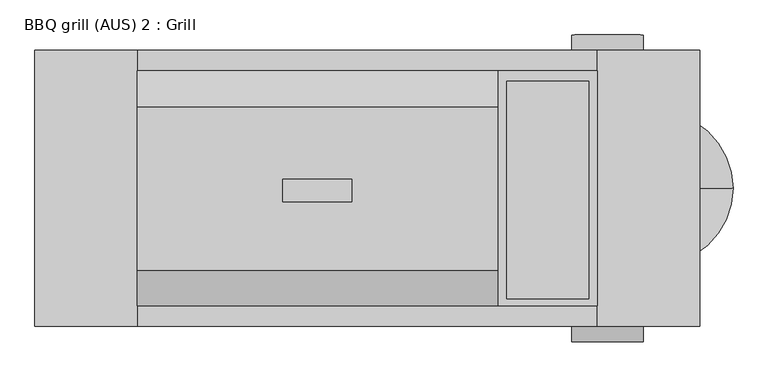
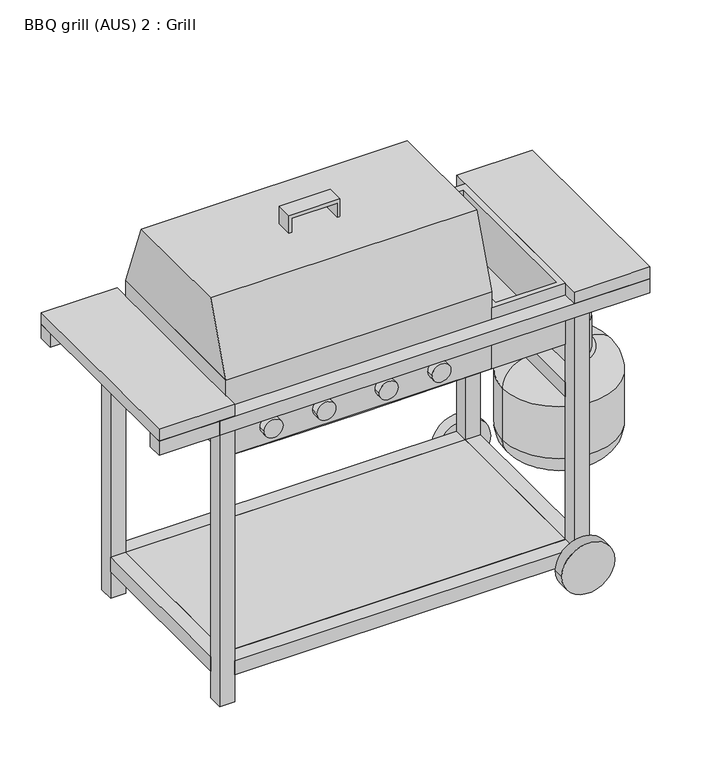
"""IFC4 building model written with IfcOpenShell, lengths in millimetres: proxy geometry, BBQ grill (AUS) 2 : Grill."""

from ifc_helpers import new_model, si_unit, point, frame, frame_2d, origin, origin_with_axes, place, context, project, spatial, polyline, circle_curve, ellipse_curve, trimmed, segment, composite_curve, outline, extrude, faceted_brep, source, transform, mapped, element, save
from ifc_brep_helpers import plane_surface, cylinder_surface, revolved_surface, advanced_brep


def bbq_grill_aus_2_grill_de8b455a(model_context):
    return source(origin(), model_context, "Body", "SolidModel", [
        extrude(outline(polyline([(1063.8676904, -157.460657), (1103.8676904, -157.460657), (1103.8676904, -37.460657), (1063.8676904, -37.460657), (1063.8676904, -30.3000867), (1113.8676904, -30.3000867), (1113.8676904, -165.3000867), (1063.8676904, -165.3000867), (1063.8676904, -157.460657)])), frame((0.0, -25.9518601, 0.0), z_axis=(0.0, 1.0, 0.0), x_axis=(0.0, 0.0, 1.0)), (0.0, 0.0, 1.0), 44.0096213),
        extrude(outline(polyline([(230.0, 876.3836556), (-230.0, 876.3836556), (-159.93761, 1063.8676904), (158.5526171, 1063.8676904), (230.0, 876.3836556)])), frame((-449.742529, 0.0, 0.0), z_axis=(1.0, 0.0, 0.0), x_axis=(0.0, 1.0, 0.0)), (0.0, 0.0, 1.0), 704.6784719),
        advanced_brep(
        [(558.311371, 0.0, 511.7012721), (572.4336955, 0.0, 511.7012721), (558.311371, 0.0, 551.7012721), (572.4336955, 0.0, 551.7012721), (525.3725333, 0.0, 598.7624343), (525.3725333, 0.0, 584.6401098), (271.8636771, 0.0, 584.6401098), (271.8636771, 0.0, 598.7624343), (233.9248393, 0.0, 636.7012721), (219.8025148, 0.0, 636.7012721), (219.8025148, 0.0, 661.3173002), (233.9248393, 0.0, 661.3173002)],
        [
            (0, 1, circle_curve(frame((565.3725333, 0.0, 511.7012721), z_axis=(0.0, 0.0, -1.0), x_axis=(1.0, 0.0, 0.0)), 7.0611622)),
            (1, 0, circle_curve(frame((565.3725333, 0.0, 511.7012721), z_axis=(0.0, 0.0, -1.0), x_axis=(1.0, 0.0, 0.0)), 7.0611622)),
            (0, 2),
            (2, 3, circle_curve(frame((565.3725333, 0.0, 551.7012721), z_axis=(0.0, 0.0, -1.0), x_axis=(1.0, 0.0, 0.0)), 7.0611622)),
            (3, 1),
            (3, 2, circle_curve(frame((565.3725333, 0.0, 551.7012721), z_axis=(0.0, 0.0, -1.0), x_axis=(1.0, 0.0, 0.0)), 7.0611622)),
            (4, 3, circle_curve(frame((525.3725333, 0.0, 551.7012721), z_axis=(0.0, 1.0, 0.0), x_axis=(1.0, 0.0, 0.0)), 47.0611622)),
            (2, 5, circle_curve(frame((525.3725333, 0.0, 551.7012721), z_axis=(0.0, -1.0, 0.0), x_axis=(1.0, 0.0, 0.0)), 32.9388378)),
            (5, 4, circle_curve(frame((525.3725333, 0.0, 591.7012721), z_axis=(1.0, 0.0, 0.0), x_axis=(0.0, 0.0, 1.0)), 7.0611622)),
            (4, 5, circle_curve(frame((525.3725333, 0.0, 591.7012721), z_axis=(1.0, 0.0, 0.0), x_axis=(0.0, 0.0, 1.0)), 7.0611622)),
            (5, 6),
            (6, 7, circle_curve(frame((271.8636771, 0.0, 591.7012721), z_axis=(1.0, 0.0, 0.0), x_axis=(0.0, 0.0, 1.0)), 7.0611622)),
            (7, 4),
            (7, 6, circle_curve(frame((271.8636771, 0.0, 591.7012721), z_axis=(1.0, 0.0, 0.0), x_axis=(0.0, 0.0, 1.0)), 7.0611622)),
            (8, 7, circle_curve(frame((271.8636771, 0.0, 636.7012721), z_axis=(0.0, -1.0, 0.0), x_axis=(0.0, 0.0, -1.0)), 37.9388378)),
            (6, 9, circle_curve(frame((271.8636771, 0.0, 636.7012721), z_axis=(0.0, 1.0, 0.0), x_axis=(0.0, 0.0, -1.0)), 52.0611622)),
            (9, 8, circle_curve(frame((226.8636771, 0.0, 636.7012721), z_axis=(0.0, 0.0, -1.0), x_axis=(1.0, 0.0, 0.0)), 7.0611622)),
            (8, 9, circle_curve(frame((226.8636771, 0.0, 636.7012721), z_axis=(0.0, 0.0, -1.0), x_axis=(1.0, 0.0, 0.0)), 7.0611622)),
            (10, 11, circle_curve(frame((226.8636771, 0.0, 661.3173002), z_axis=(0.0, 0.0, 1.0), x_axis=(1.0, 0.0, 0.0)), 7.0611622)),
            (11, 10, circle_curve(frame((226.8636771, 0.0, 661.3173002), z_axis=(0.0, 0.0, 1.0), x_axis=(1.0, 0.0, 0.0)), 7.0611622)),
            (9, 10),
            (11, 8),
        ],
        [
            plane_surface(frame((565.3725333, 0.0, 511.7012721), z_axis=(0.0, 0.0, -1.0), x_axis=(0.0, -1.0, 0.0))),
            cylinder_surface(frame((565.3725333, 0.0, 511.7012721), z_axis=(0.0, 0.0, -1.0), x_axis=(1.0, 0.0, 0.0)), 7.0611622),
            revolved_surface(trimmed(ellipse_curve(frame((565.3725333, 0.0, 551.7012721), z_axis=(0.0, 0.0, -1.0), x_axis=(1.0, 0.0, 0.0)), 7.0611622, 7.0611622), [point((558.311371, 0.0, 551.7012721))], [point((572.4336955, 0.0, 551.7012721))], True, "CARTESIAN"), (525.3725333, 0.0, 551.7012721), (0.0, -1.0, 0.0)),
            revolved_surface(trimmed(ellipse_curve(frame((565.3725333, 0.0, 551.7012721), z_axis=(0.0, 0.0, -1.0), x_axis=(1.0, 0.0, 0.0)), 7.0611622, 7.0611622), [point((572.4336955, 0.0, 551.7012721))], [point((558.311371, 0.0, 551.7012721))], True, "CARTESIAN"), (525.3725333, 0.0, 551.7012721), (0.0, -1.0, 0.0)),
            cylinder_surface(frame((525.3725333, 0.0, 591.7012721), z_axis=(1.0, 0.0, 0.0), x_axis=(0.0, 0.0, 1.0)), 7.0611622),
            revolved_surface(trimmed(ellipse_curve(frame((271.8636771, 0.0, 591.7012721), z_axis=(1.0, 0.0, 0.0), x_axis=(0.0, 0.0, 1.0)), 7.0611622, 7.0611622), [point((271.8636771, 0.0, 584.6401098))], [point((271.8636771, 0.0, 598.7624343))], True, "CARTESIAN"), (271.8636771, 0.0, 636.7012721), (0.0, 1.0, 0.0)),
            revolved_surface(trimmed(ellipse_curve(frame((271.8636771, 0.0, 591.7012721), z_axis=(1.0, 0.0, 0.0), x_axis=(0.0, 0.0, 1.0)), 7.0611622, 7.0611622), [point((271.8636771, 0.0, 598.7624343))], [point((271.8636771, 0.0, 584.6401098))], True, "CARTESIAN"), (271.8636771, 0.0, 636.7012721), (0.0, 1.0, 0.0)),
            plane_surface(frame((226.8636771, 0.0, 661.3173002), z_axis=(0.0, 0.0, 1.0), x_axis=(0.0, -1.0, 0.0))),
            cylinder_surface(frame((226.8636771, 0.0, 636.7012721), z_axis=(0.0, 0.0, -1.0), x_axis=(1.0, 0.0, 0.0)), 7.0611622),
        ],
        [
            (0, [[1, 2]]),
            (1, [[-1, 3, 4, 5]]),
            (1, [[-2, -5, 6, -3]]),
            (2, [[7, -4, 8, 9]]),
            (3, [[-8, -6, -7, 10]]),
            (4, [[-9, 11, 12, 13]]),
            (4, [[-10, -13, 14, -11]]),
            (5, [[15, -12, 16, 17]]),
            (6, [[-16, -14, -15, 18]]),
            (7, [[19, 20]]),
            (8, [[-17, 21, -20, 22]]),
            (8, [[-18, -22, -19, -21]]),
        ],
    ),
        advanced_brep(
        [(575.3725333, 0.0, 511.7012721), (555.3725333, 0.0, 511.7012721), (565.3725333, 0.0, 511.7012721), (575.3725333, 0.0, 476.7012721), (555.3725333, 0.0, 476.7012721), (635.3725333, 0.0, 476.7012721), (495.3725333, 0.0, 476.7012721), (635.3725333, 0.0, 566.7012721), (495.3725333, 0.0, 566.7012721), (640.3725333, 0.0, 566.7012721), (490.3725333, 0.0, 566.7012721), (640.3725333, 0.0, 476.7012721), (490.3725333, 0.0, 476.7012721), (650.3725333, 0.0, 476.7012721), (480.3725333, 0.0, 476.7012721), (715.3725333, 0.0, 411.7012721), (415.3725333, 0.0, 411.7012721), (715.3725333, 0.0, 266.7012721), (415.3725333, 0.0, 266.7012721), (650.3725333, 0.0, 201.7012721), (480.3725333, 0.0, 201.7012721), (565.3725333, 0.0, 201.7012721)],
        [
            (0, 1, circle_curve(frame((565.3725333, 0.0, 511.7012721), z_axis=(0.0, 0.0, 1.0), x_axis=(-1.0, 0.0, 0.0)), 10.0)),
            (1, 2),
            (2, 0),
            (1, 0, circle_curve(frame((565.3725333, 0.0, 511.7012721), z_axis=(0.0, 0.0, 1.0), x_axis=(-1.0, 0.0, 0.0)), 10.0)),
            (3, 4, circle_curve(frame((565.3725333, 0.0, 476.7012721), z_axis=(0.0, 0.0, 1.0), x_axis=(-1.0, 0.0, 0.0)), 10.0)),
            (4, 1),
            (0, 3),
            (4, 3, circle_curve(frame((565.3725333, 0.0, 476.7012721), z_axis=(0.0, 0.0, 1.0), x_axis=(-1.0, 0.0, 0.0)), 10.0)),
            (5, 6, circle_curve(frame((565.3725333, 0.0, 476.7012721), z_axis=(0.0, 0.0, 1.0), x_axis=(-1.0, 0.0, 0.0)), 70.0)),
            (6, 4),
            (3, 5),
            (6, 5, circle_curve(frame((565.3725333, 0.0, 476.7012721), z_axis=(0.0, 0.0, 1.0), x_axis=(-1.0, 0.0, 0.0)), 70.0)),
            (7, 8, circle_curve(frame((565.3725333, 0.0, 566.7012721), z_axis=(0.0, 0.0, 1.0), x_axis=(-1.0, 0.0, 0.0)), 70.0)),
            (8, 6),
            (5, 7),
            (8, 7, circle_curve(frame((565.3725333, 0.0, 566.7012721), z_axis=(0.0, 0.0, 1.0), x_axis=(-1.0, 0.0, 0.0)), 70.0)),
            (9, 10, circle_curve(frame((565.3725333, 0.0, 566.7012721), z_axis=(0.0, 0.0, 1.0), x_axis=(-1.0, 0.0, 0.0)), 75.0)),
            (10, 8),
            (7, 9),
            (10, 9, circle_curve(frame((565.3725333, 0.0, 566.7012721), z_axis=(0.0, 0.0, 1.0), x_axis=(-1.0, 0.0, 0.0)), 75.0)),
            (11, 12, circle_curve(frame((565.3725333, 0.0, 476.7012721), z_axis=(0.0, 0.0, 1.0), x_axis=(-1.0, 0.0, 0.0)), 75.0)),
            (12, 10),
            (9, 11),
            (12, 11, circle_curve(frame((565.3725333, 0.0, 476.7012721), z_axis=(0.0, 0.0, 1.0), x_axis=(-1.0, 0.0, 0.0)), 75.0)),
            (13, 14, circle_curve(frame((565.3725333, 0.0, 476.7012721), z_axis=(0.0, 0.0, 1.0), x_axis=(-1.0, 0.0, 0.0)), 85.0)),
            (14, 12),
            (11, 13),
            (14, 13, circle_curve(frame((565.3725333, 0.0, 476.7012721), z_axis=(0.0, 0.0, 1.0), x_axis=(-1.0, 0.0, 0.0)), 85.0)),
            (15, 16, circle_curve(frame((565.3725333, 0.0, 411.7012721), z_axis=(0.0, 0.0, 1.0), x_axis=(-1.0, 0.0, 0.0)), 150.0)),
            (16, 14, circle_curve(frame((480.3725333, 0.0, 411.7012721), z_axis=(0.0, 1.0, 0.0), x_axis=(1.0, 0.0, 0.0)), 65.0)),
            (13, 15, circle_curve(frame((650.3725333, 0.0, 411.7012721), z_axis=(0.0, 1.0, 0.0), x_axis=(-1.0, 0.0, 0.0)), 65.0)),
            (16, 15, circle_curve(frame((565.3725333, 0.0, 411.7012721), z_axis=(0.0, 0.0, 1.0), x_axis=(-1.0, 0.0, 0.0)), 150.0)),
            (17, 18, circle_curve(frame((565.3725333, 0.0, 266.7012721), z_axis=(0.0, 0.0, 1.0), x_axis=(-1.0, 0.0, 0.0)), 150.0)),
            (18, 16),
            (15, 17),
            (18, 17, circle_curve(frame((565.3725333, 0.0, 266.7012721), z_axis=(0.0, 0.0, 1.0), x_axis=(-1.0, 0.0, 0.0)), 150.0)),
            (19, 20, circle_curve(frame((565.3725333, 0.0, 201.7012721), z_axis=(0.0, 0.0, 1.0), x_axis=(-1.0, 0.0, 0.0)), 85.0)),
            (20, 18, circle_curve(frame((480.3725333, 0.0, 266.7012721), z_axis=(0.0, 1.0, 0.0), x_axis=(1.0, 0.0, 0.0)), 65.0)),
            (17, 19, circle_curve(frame((650.3725333, 0.0, 266.7012721), z_axis=(0.0, 1.0, 0.0), x_axis=(-1.0, 0.0, 0.0)), 65.0)),
            (20, 19, circle_curve(frame((565.3725333, 0.0, 201.7012721), z_axis=(0.0, 0.0, 1.0), x_axis=(-1.0, 0.0, 0.0)), 85.0)),
            (21, 20),
            (19, 21),
        ],
        [
            plane_surface(frame((565.3725333, 0.0, 511.7012721), z_axis=(0.0, 0.0, 1.0), x_axis=(-1.0, 0.0, 0.0))),
            cylinder_surface(frame((565.3725333, 0.0, 201.7012721), z_axis=(0.0, 0.0, -1.0), x_axis=(-1.0, 0.0, 0.0)), 10.0),
            plane_surface(frame((565.3725333, 0.0, 476.7012721), z_axis=(0.0, 0.0, 1.0), x_axis=(-1.0, 0.0, 0.0))),
            revolved_surface(polyline([(495.3725333, 0.0, 476.7012721), (495.3725333, 0.0, 566.7012721)]), (565.3725333, 0.0, 201.7012721), (0.0, 0.0, -1.0)),
            plane_surface(frame((565.3725333, 0.0, 566.7012721), z_axis=(0.0, 0.0, 1.0), x_axis=(-1.0, 0.0, 0.0))),
            cylinder_surface(frame((565.3725333, 0.0, 201.7012721), z_axis=(0.0, 0.0, -1.0), x_axis=(-1.0, 0.0, 0.0)), 75.0),
            revolved_surface(trimmed(ellipse_curve(frame((480.3725333, 0.0, 411.7012721), z_axis=(0.0, -1.0, 0.0), x_axis=(1.0, 0.0, 0.0)), 65.0, 65.0), [point((480.3725333, 0.0, 476.7012721))], [point((415.3725333, 0.0, 411.7012721))], True, "CARTESIAN"), (565.3725333, 0.0, 201.7012721), (0.0, 0.0, -1.0)),
            cylinder_surface(frame((565.3725333, 0.0, 201.7012721), z_axis=(0.0, 0.0, -1.0), x_axis=(-1.0, 0.0, 0.0)), 150.0),
            revolved_surface(trimmed(ellipse_curve(frame((480.3725333, 0.0, 266.7012721), z_axis=(0.0, -1.0, 0.0), x_axis=(1.0, 0.0, 0.0)), 65.0, 65.0), [point((415.3725333, 0.0, 266.7012721))], [point((480.3725333, 0.0, 201.7012721))], True, "CARTESIAN"), (565.3725333, 0.0, 201.7012721), (0.0, 0.0, -1.0)),
            plane_surface(frame((565.3725333, 0.0, 201.7012721), z_axis=(0.0, 0.0, -1.0), x_axis=(-1.0, 0.0, 0.0))),
        ],
        [
            (0, [[1, 2, 3]]),
            (0, [[4, -3, -2]]),
            (1, [[5, 6, -1, 7]]),
            (1, [[8, -7, -4, -6]]),
            (2, [[9, 10, -5, 11]]),
            (2, [[12, -11, -8, -10]]),
            (3, [[13, 14, -9, 15]]),
            (3, [[16, -15, -12, -14]]),
            (4, [[17, 18, -13, 19]]),
            (4, [[20, -19, -16, -18]]),
            (5, [[21, 22, -17, 23]]),
            (5, [[24, -23, -20, -22]]),
            (2, [[25, 26, -21, 27]]),
            (2, [[28, -27, -24, -26]]),
            (6, [[29, 30, -25, 31]]),
            (6, [[32, -31, -28, -30]]),
            (7, [[33, 34, -29, 35]]),
            (7, [[36, -35, -32, -34]]),
            (8, [[37, 38, -33, 39]]),
            (8, [[40, -39, -36, -38]]),
            (9, [[41, -37, 42]]),
            (9, [[-42, -40, -41]]),
        ],
    ),
        extrude(outline(polyline([(489.742529, -230.0), (449.742529, -230.0), (449.742529, 230.0), (489.742529, 230.0), (489.742529, -230.0)])), frame((0.0, 0.0, 515.0), z_axis=(0.0, 0.0, 1.0), x_axis=(1.0, 0.0, 0.0)), (0.0, 0.0, 1.0), 40.0),
        faceted_brep([(449.742529, 230.0, 832.2877028), (254.9359429, 230.0, 832.2877028), (254.9359429, -230.0, 832.2877028), (449.742529, -230.0, 832.2877028), (273.1159192, 209.263225, 832.2877028), (433.1159192, 209.263225, 832.2877028), (433.1159192, -215.736775, 832.2877028), (273.1159192, -215.736775, 832.2877028), (449.742529, 230.0, 661.3173002), (449.742529, -230.0, 661.3173002), (254.9359429, -230.0, 661.3173002), (254.9359429, 230.0, 661.3173002), (433.1159192, 209.263225, 685.6210995), (273.1159192, 209.263225, 685.6210995), (273.1159192, -215.736775, 685.6210995), (433.1159192, -215.736775, 685.6210995)], [[[0, 1, 2, 3], [4, 5, 6, 7]], [[8, 9, 10, 11]], [[1, 0, 8, 11]], [[2, 1, 11, 10]], [[3, 2, 10, 9]], [[0, 3, 9, 8]], [[12, 13, 14, 15]], [[13, 12, 5, 4]], [[14, 13, 4, 7]], [[15, 14, 7, 6]], [[12, 15, 6, 5]]]),
        extrude(outline(polyline([(211.8636771, 200.6899163), (211.8636771, -203.872911), (-402.2084675, -203.872911), (-402.2084675, 200.6899163), (211.8636771, 200.6899163)])), frame((0.0, 0.0, 819.1779149), z_axis=(0.0, 0.0, 1.0), x_axis=(1.0, 0.0, 0.0)), (0.0, 0.0, 1.0), 13.1097879),
        extrude(outline(composite_curve([segment(trimmed(circle_curve(frame_2d((712.6602886, -335.1455915)), 25.0), [point((712.6602886, -360.1455915))], [point((712.6602886, -310.1455915))], False, "CARTESIAN"), True, "CONTINUOUS"), segment(trimmed(circle_curve(frame_2d((712.6602886, -335.1455915)), 25.0), [point((712.6602886, -310.1455915))], [point((712.6602886, -360.1455915))], False, "CARTESIAN"), True, "CONTINUOUS")], self_intersect=False)), frame((0.0, -250.0, 0.0), z_axis=(0.0, 1.0, 0.0), x_axis=(0.0, 0.0, 1.0)), (0.0, 0.0, 1.0), 20.0),
        extrude(outline(composite_curve([segment(trimmed(circle_curve(frame_2d((712.6602886, -195.1455915)), 25.0), [point((712.6602886, -220.1455915))], [point((712.6602886, -170.1455915))], False, "CARTESIAN"), True, "CONTINUOUS"), segment(trimmed(circle_curve(frame_2d((712.6602886, -195.1455915)), 25.0), [point((712.6602886, -170.1455915))], [point((712.6602886, -220.1455915))], False, "CARTESIAN"), True, "CONTINUOUS")], self_intersect=False)), frame((0.0, -250.0, 0.0), z_axis=(0.0, 1.0, 0.0), x_axis=(0.0, 0.0, 1.0)), (0.0, 0.0, 1.0), 20.0),
        extrude(outline(composite_curve([segment(trimmed(circle_curve(frame_2d((712.6602886, -30.1455915)), 25.0), [point((712.6602886, -55.1455915))], [point((712.6602886, -5.1455915))], False, "CARTESIAN"), True, "CONTINUOUS"), segment(trimmed(circle_curve(frame_2d((712.6602886, -30.1455915)), 25.0), [point((712.6602886, -5.1455915))], [point((712.6602886, -55.1455915))], False, "CARTESIAN"), True, "CONTINUOUS")], self_intersect=False)), frame((0.0, -250.0, 0.0), z_axis=(0.0, 1.0, 0.0), x_axis=(0.0, 0.0, 1.0)), (0.0, 0.0, 1.0), 20.0),
        extrude(outline(composite_curve([segment(trimmed(circle_curve(frame_2d((712.6602886, 109.8544085)), 25.0), [point((712.6602886, 84.8544085))], [point((712.6602886, 134.8544085))], False, "CARTESIAN"), True, "CONTINUOUS"), segment(trimmed(circle_curve(frame_2d((712.6602886, 109.8544085)), 25.0), [point((712.6602886, 134.8544085))], [point((712.6602886, 84.8544085))], False, "CARTESIAN"), True, "CONTINUOUS")], self_intersect=False)), frame((0.0, -250.0, 0.0), z_axis=(0.0, 1.0, 0.0), x_axis=(0.0, 0.0, 1.0)), (0.0, 0.0, 1.0), 20.0),
        extrude(outline(polyline([(254.9359429, 230.0), (254.9359429, -230.0), (-449.742529, -230.0), (-449.742529, 230.0), (254.9359429, 230.0)]), holes=[polyline([(238.3474152, 218.5526171), (-431.1775664, 218.5526171), (-431.1775664, -219.93761), (238.3474152, -219.93761), (238.3474152, 218.5526171)])]), frame((0.0, 0.0, 661.3173002), z_axis=(0.0, 0.0, 1.0), x_axis=(1.0, 0.0, 0.0)), (0.0, 0.0, 1.0), 215.0663554),
        faceted_brep([(0.0, 79.4540687, 533.7679522), (0.0, -75.3590974, 533.7679522), (-205.5924391, -75.3590974, 533.7679522), (-205.5924391, 79.4540687, 533.7679522), (254.9359429, 230.0, 661.3173002), (-449.742529, 230.0, 661.3173002), (-449.742529, -230.0, 661.3173002), (254.9359429, -230.0, 661.3173002)], [[[0, 1, 2, 3]], [[4, 5, 6, 7]], [[4, 7, 1, 0]], [[7, 6, 2, 1]], [[6, 5, 3, 2]], [[5, 4, 0, 3]]]),
        extrude(outline(polyline([(-650.0, 270.0), (-449.742529, 270.0), (-449.742529, -270.0), (-650.0, -270.0), (-650.0, 270.0)])), frame((0.0, 0.0, 800.0), z_axis=(0.0, 0.0, 1.0), x_axis=(1.0, 0.0, 0.0)), (0.0, 0.0, 1.0), 32.2877028),
        extrude(outline(polyline([(650.0, 270.0), (650.0, -270.0), (449.742529, -270.0), (449.742529, 270.0), (650.0, 270.0)])), frame((0.0, 0.0, 800.0), z_axis=(0.0, 0.0, 1.0), x_axis=(1.0, 0.0, 0.0)), (0.0, 0.0, 1.0), 32.2877028),
        extrude(outline(polyline([(449.742529, 230.0), (449.742529, -230.0), (-449.742529, -230.0), (-449.742529, 230.0), (449.742529, 230.0)])), frame((0.0, 0.0, 102.9172287), z_axis=(0.0, 0.0, 1.0), x_axis=(1.0, 0.0, 0.0)), (0.0, 0.0, 1.0), 12.0827713),
        extrude(outline(polyline([(449.742529, -230.0), (449.742529, -270.0), (-449.742529, -270.0), (-449.742529, -230.0), (449.742529, -230.0)])), frame((0.0, 0.0, 75.0), z_axis=(0.0, 0.0, 1.0), x_axis=(1.0, 0.0, 0.0)), (0.0, 0.0, 1.0), 40.0),
        extrude(outline(polyline([(449.742529, 270.0), (449.742529, 230.0), (-449.742529, 230.0), (-449.742529, 270.0), (449.742529, 270.0)])), frame((0.0, 0.0, 75.0), z_axis=(0.0, 0.0, 1.0), x_axis=(1.0, 0.0, 0.0)), (0.0, 0.0, 1.0), 40.0),
        extrude(outline(polyline([(650.0, -230.0), (650.0, -270.0), (-650.0, -270.0), (-650.0, -230.0), (650.0, -230.0)])), frame((0.0, 0.0, 760.0), z_axis=(0.0, 0.0, 1.0), x_axis=(1.0, 0.0, 0.0)), (0.0, 0.0, 1.0), 40.0),
        extrude(outline(polyline([(650.0, 270.0), (650.0, 230.0), (-650.0, 230.0), (-650.0, 270.0), (650.0, 270.0)])), frame((0.0, 0.0, 760.0), z_axis=(0.0, 0.0, 1.0), x_axis=(1.0, 0.0, 0.0)), (0.0, 0.0, 1.0), 40.0),
        extrude(outline(polyline([(-449.742529, -230.0), (-489.742529, -230.0), (-489.742529, 230.0), (-449.742529, 230.0), (-449.742529, -230.0)])), frame((0.0, 0.0, 760.0), z_axis=(0.0, 0.0, 1.0), x_axis=(1.0, 0.0, 0.0)), (0.0, 0.0, 1.0), 40.0),
        extrude(outline(polyline([(489.742529, -230.0), (449.742529, -230.0), (449.742529, 230.0), (489.742529, 230.0), (489.742529, -230.0)])), frame((0.0, 0.0, 760.0), z_axis=(0.0, 0.0, 1.0), x_axis=(1.0, 0.0, 0.0)), (0.0, 0.0, 1.0), 40.0),
        extrude(outline(polyline([(-449.742529, -230.0), (-489.742529, -230.0), (-489.742529, 230.0), (-449.742529, 230.0), (-449.742529, -230.0)])), frame((0.0, 0.0, 75.0), z_axis=(0.0, 0.0, 1.0), x_axis=(1.0, 0.0, 0.0)), (0.0, 0.0, 1.0), 40.0),
        extrude(outline(polyline([(489.742529, -230.0), (449.742529, -230.0), (449.742529, 230.0), (489.742529, 230.0), (489.742529, -230.0)])), frame((0.0, 0.0, 75.0), z_axis=(0.0, 0.0, 1.0), x_axis=(1.0, 0.0, 0.0)), (0.0, 0.0, 1.0), 40.0),
        extrude(outline(polyline([(-489.742529, -270.0), (-489.742529, -230.0), (-449.742529, -230.0), (-449.742529, -270.0), (-489.742529, -270.0)])), origin_with_axes(), (0.0, 0.0, 1.0), 800.0),
        extrude(outline(polyline([(-489.742529, 270.0), (-449.742529, 270.0), (-449.742529, 230.0), (-489.742529, 230.0), (-489.742529, 270.0)])), origin_with_axes(), (0.0, 0.0, 1.0), 800.0),
        extrude(outline(polyline([(489.742529, -270.0), (449.742529, -270.0), (449.742529, -230.0), (489.742529, -230.0), (489.742529, -270.0)])), frame((0.0, 0.0, 75.0), z_axis=(0.0, 0.0, 1.0), x_axis=(1.0, 0.0, 0.0)), (0.0, 0.0, 1.0), 725.0),
        extrude(outline(composite_curve([segment(trimmed(circle_curve(frame_2d((70.219645, 469.742529)), 70.219645), [point((70.219645, 399.522884))], [point((70.219645, 539.962174))], False, "CARTESIAN"), True, "CONTINUOUS"), segment(trimmed(circle_curve(frame_2d((70.219645, 469.742529)), 70.219645), [point((70.219645, 539.962174))], [point((70.219645, 399.522884))], False, "CARTESIAN"), True, "CONTINUOUS")], self_intersect=False)), frame((0.0, -300.0, 0.0), z_axis=(0.0, 1.0, 0.0), x_axis=(0.0, 0.0, 1.0)), (0.0, 0.0, 1.0), 30.0),
        extrude(outline(polyline([(489.742529, 270.0), (489.742529, 230.0), (449.742529, 230.0), (449.742529, 270.0), (489.742529, 270.0)])), frame((0.0, 0.0, 75.0), z_axis=(0.0, 0.0, 1.0), x_axis=(1.0, 0.0, 0.0)), (0.0, 0.0, 1.0), 725.0),
        extrude(outline(composite_curve([segment(trimmed(circle_curve(frame_2d((70.219645, 469.742529)), 70.219645), [point((70.219645, 399.522884))], [point((70.219645, 539.962174))], False, "CARTESIAN"), True, "CONTINUOUS"), segment(trimmed(circle_curve(frame_2d((70.219645, 469.742529)), 70.219645), [point((70.219645, 539.962174))], [point((70.219645, 399.522884))], False, "CARTESIAN"), True, "CONTINUOUS")], self_intersect=False)), frame((0.0, 270.0, 0.0), z_axis=(0.0, 1.0, 0.0), x_axis=(0.0, 0.0, 1.0)), (0.0, 0.0, 1.0), 30.0),
    ])


if __name__ == "__main__":
    model = new_model("IFC4")
    model_context = context("Model", 3, world=origin())
    ifc_project = project(units=[si_unit("LENGTHUNIT", "METRE", prefix="MILLI")], contexts=[model_context])
    site = spatial("IfcSite", under=ifc_project)
    building = spatial("IfcBuilding", under=site)
    placement = place(None, origin())
    bbq_grill_aus_2_grill_shape = bbq_grill_aus_2_grill_de8b455a(model_context)
    element("IfcBuildingElementProxy", 1, Name="BBQ grill (AUS) 2 : Grill", ObjectType="BBQ grill (AUS) 2 : Grill", at=placement, inside=building, context=model_context, shape_type="MappedRepresentation", body=[
        mapped(bbq_grill_aus_2_grill_shape, transform((0.0, 0.0, 0.0), x_axis=(1.0, 0.0, 0.0), y_axis=(0.0, 1.0, 0.0), z_axis=(0.0, 0.0, 1.0))),
    ])
    save(model, "model.ifc")
